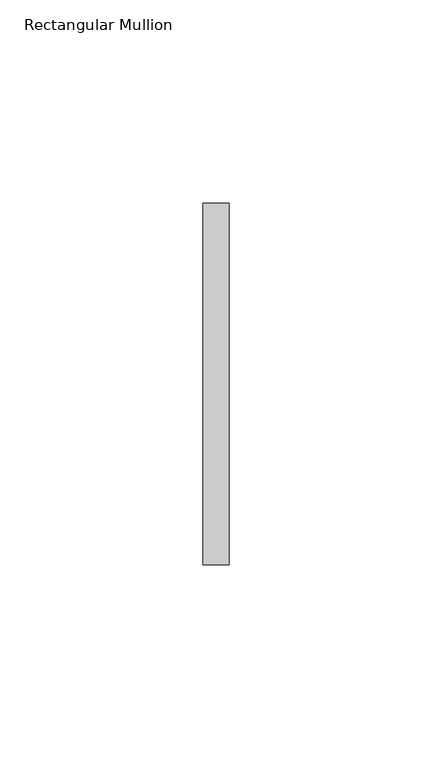
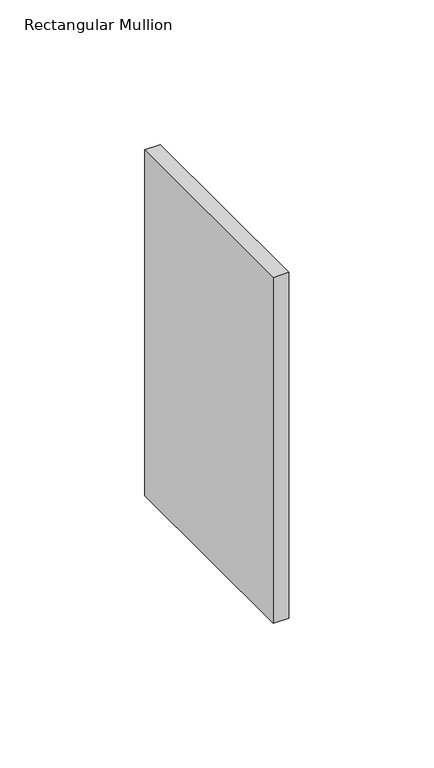
"""IFC4 building model written with IfcOpenShell, lengths in millimetres: member geometry, Rectangular Mullion."""

import ifcopenshell
import ifcopenshell.guid

model = None  # the IFC model being written
_history = None  # IfcOwnerHistory: only IFC2X3 demands one
_inside = {}  # id of a spatial element -> (the spatial element, [elements in it])
_under = {}  # id of a project, library or spatial element -> (it, [spatial elements below it])
_declared = {}  # id of a project -> (the project, [libraries it declares])
_typed = {}  # id of a type object -> (the type object, [elements of that type])
_made_of = {}  # id of a material, layer set ... -> (it, [elements and type objects made of it])


def new_model(schema):
    """Start an empty IFC model of exactly this schema.

    Asked for "IFC4X3", IfcOpenShell would pick the latest addendum, in which some entities
    have other attributes; the version numbers below select the first issue.
    IFC2X3 requires an IfcOwnerHistory on every rooted entity: one is made here for all.
    """
    global model, _history
    if schema == "IFC4X3":
        model = ifcopenshell.file(schema_version=(4, 3, 0, 0))
    else:
        model = ifcopenshell.file(schema=schema)
    _inside.clear()
    _under.clear()
    _declared.clear()
    _typed.clear()
    _made_of.clear()
    _history = None
    if model.schema == "IFC2X3":
        org = make("IfcOrganization", Name="unknown")
        user = make(
            "IfcPersonAndOrganization",
            ThePerson=make("IfcPerson", FamilyName="unknown"),
            TheOrganization=org,
        )
        app = make(
            "IfcApplication",
            ApplicationDeveloper=org,
            Version="unknown",
            ApplicationFullName="unknown",
            ApplicationIdentifier="unknown",
        )
        _history = make(
            "IfcOwnerHistory",
            OwningUser=user,
            OwningApplication=app,
            ChangeAction="ADDED",
            CreationDate=0,
        )
    return model


def make(cls, **values):
    """One entity of the class cls with the attributes given. An attribute that is None is left unset."""
    return model.create_entity(
        cls, **{name: value for name, value in values.items() if value is not None}
    )


def rooted(cls, **values):
    """An entity with a GlobalId (a new one), such as an element, a storey or a relation."""
    return make(cls, GlobalId=ifcopenshell.guid.new(), OwnerHistory=_history, **values)


def si_unit(unit_type, name, prefix=None):
    """IfcSIUnit, for example si_unit("LENGTHUNIT", "METRE", prefix="MILLI")."""
    return make("IfcSIUnit", UnitType=unit_type, Prefix=prefix, Name=name)


def assignment(units):
    """IfcUnitAssignment: the units of a project."""
    return None if units is None else make("IfcUnitAssignment", Units=units)


def point(xyz):
    """IfcCartesianPoint."""
    return None if xyz is None else make("IfcCartesianPoint", Coordinates=xyz)


def direction(xyz):
    """IfcDirection."""
    return None if xyz is None else make("IfcDirection", DirectionRatios=xyz)


def frame(location, z_axis=None, x_axis=None):
    """IfcAxis2Placement3D, a coordinate frame: its origin and axes. An axis left out is left unset."""
    return make(
        "IfcAxis2Placement3D",
        Location=point(location),
        Axis=direction(z_axis),
        RefDirection=direction(x_axis),
    )


def origin():
    """The frame at (0, 0, 0) with its axes left unset."""
    return frame((0.0, 0.0, 0.0))


def place(relative_to, where):
    """IfcLocalPlacement: puts the frame where relative to a parent placement (None: the world)."""
    return make(
        "IfcLocalPlacement", PlacementRelTo=relative_to, RelativePlacement=where
    )


def context(
    kind, dimensions, precision=None, world=None, true_north=None, identifier=None
):
    """IfcGeometricRepresentationContext, for example the 3D "Model" context."""
    return make(
        "IfcGeometricRepresentationContext",
        ContextIdentifier=identifier,
        ContextType=kind,
        CoordinateSpaceDimension=dimensions,
        Precision=precision,
        WorldCoordinateSystem=world,
        TrueNorth=true_north,
    )


def project(units=None, contexts=None):
    """IfcProject with its units and contexts."""
    return rooted(
        "IfcProject",
        Name="project",
        RepresentationContexts=contexts,
        UnitsInContext=assignment(units),
    )


def spatial(cls, under=None, at=None, **own):
    """A site, building, storey or space (cls), placed at a placement, below another one or the project."""
    s = rooted(cls, ObjectPlacement=at, **own)
    if under is not None:
        _under.setdefault(under.id(), (under, []))[1].append(s)
    return s


def polyline(points):
    """IfcPolyline through the points."""
    return make("IfcPolyline", Points=[point(p) for p in points])


def outline(outer, holes=None, kind="AREA"):
    """IfcArbitraryClosedProfileDef: a profile drawn as a closed curve; with holes, ...WithVoids."""
    if holes is None:
        return make("IfcArbitraryClosedProfileDef", ProfileType=kind, OuterCurve=outer)
    return make(
        "IfcArbitraryProfileDefWithVoids",
        ProfileType=kind,
        OuterCurve=outer,
        InnerCurves=holes,
    )


def extrude(swept, where, along, depth):
    """IfcExtrudedAreaSolid: the profile swept, set in the frame where, extruded along a direction by depth."""
    return make(
        "IfcExtrudedAreaSolid",
        SweptArea=swept,
        Position=where,
        ExtrudedDirection=direction(along),
        Depth=depth,
    )


def shape(context_of_items, identifier, shape_type, items):
    """IfcShapeRepresentation: the items that make up one representation, for example the "Body"."""
    return make(
        "IfcShapeRepresentation",
        ContextOfItems=context_of_items,
        RepresentationIdentifier=identifier,
        RepresentationType=shape_type,
        Items=items,
    )


def source(mapping_origin, context_of_items, identifier, shape_type, items):
    """IfcRepresentationMap: a shape defined once, which mapped items show again and again."""
    return make(
        "IfcRepresentationMap",
        MappingOrigin=mapping_origin,
        MappedRepresentation=shape(context_of_items, identifier, shape_type, items),
    )


def transform(
    local_origin,
    x_axis=None,
    y_axis=None,
    z_axis=None,
    scale=None,
    scale2=None,
    scale3=None,
    uniform=True,
):
    """IfcCartesianTransformationOperator3D, or its non-uniform kind. x_axis, y_axis, z_axis: its Axis1, 2, 3."""
    if uniform:
        return make(
            "IfcCartesianTransformationOperator3D",
            Axis1=direction(x_axis),
            Axis2=direction(y_axis),
            LocalOrigin=point(local_origin),
            Scale=scale,
            Axis3=direction(z_axis),
        )
    return make(
        "IfcCartesianTransformationOperator3DnonUniform",
        Axis1=direction(x_axis),
        Axis2=direction(y_axis),
        LocalOrigin=point(local_origin),
        Scale=scale,
        Axis3=direction(z_axis),
        Scale2=scale2,
        Scale3=scale3,
    )


def mapped(mapping_source, mapping_target):
    """IfcMappedItem: shows the shape of a source again, moved by a transform."""
    return make(
        "IfcMappedItem", MappingSource=mapping_source, MappingTarget=mapping_target
    )


def made_of(thing, what):
    """Note that an element or type object is made of a material, layer set ...; save() writes the relation."""
    if what is not None:
        _made_of.setdefault(what.id(), (what, []))[1].append(thing)
    return thing


def element(
    cls,
    number,
    at=None,
    inside=None,
    cuts=None,
    type_object=None,
    material=None,
    context=None,
    identifier="Body",
    shape_type=None,
    held_by="IfcProductDefinitionShape",
    body=None,
    shapes=None,
    **own,
):
    """One element of the class cls, such as IfcWall. Its Tag is "e" and its number.

    at: its placement. inside: the storey or other place that contains it. cuts: it is an
    opening in that element (IfcRelVoidsElement). A single representation is given by context,
    identifier, shape_type and body (its items); several are given by shapes. held_by: the class
    of the entity that holds the representations. save() writes the other relations.
    """
    e = rooted(cls, Tag="e%d" % number, ObjectPlacement=at, **own)
    if body is not None:
        shapes = [shape(context, identifier, shape_type, body)]
    if shapes is not None:
        e.Representation = make(held_by, Representations=shapes)
    if inside is not None:
        _inside.setdefault(inside.id(), (inside, []))[1].append(e)
    if cuts is not None:
        rooted(
            "IfcRelVoidsElement", RelatingBuildingElement=cuts, RelatedOpeningElement=e
        )
    if type_object is not None:
        _typed.setdefault(type_object.id(), (type_object, []))[1].append(e)
    return made_of(e, material)


def aggregate(whole, parts):
    """IfcRelAggregates: a whole, such as a stair, and the parts it consists of."""
    return rooted("IfcRelAggregates", RelatingObject=whole, RelatedObjects=parts)


def save(model, path):
    """Write the relations noted so far, then the file.

    IfcRelAggregates (storeys below a building ...), IfcRelContainedInSpatialStructure (elements
    in a storey), IfcRelDefinesByType, IfcRelAssociatesMaterial and IfcRelDeclares: one each for
    every whole, place, type object, material and project.
    """
    for whole, parts in _under.values():
        aggregate(whole, parts)
    for where, things in _inside.values():
        rooted(
            "IfcRelContainedInSpatialStructure",
            RelatedElements=things,
            RelatingStructure=where,
        )
    for kind, things in _typed.values():
        rooted("IfcRelDefinesByType", RelatedObjects=things, RelatingType=kind)
    for what, things in _made_of.values():
        rooted("IfcRelAssociatesMaterial", RelatedObjects=things, RelatingMaterial=what)
    for by, libraries in _declared.values():
        rooted("IfcRelDeclares", RelatingContext=by, RelatedDefinitions=libraries)
    model.write(path)


def rectangular_mullion_da5dfee7(model_context):
    return source(origin(), model_context, "Body", "SweptSolid", [
        extrude(outline(polyline([(0.0, 44.45), (0.0, -44.45), (-6.35, -44.45), (-6.35, 44.45), (0.0, 44.45)])), frame((0.0, 0.0, -146.05), z_axis=(0.0, 0.0, 1.0), x_axis=(1.0, 0.0, 0.0)), (0.0, 0.0, 1.0), 146.05),
    ])


if __name__ == "__main__":
    model = new_model("IFC4")
    model_context = context("Model", 3, world=origin())
    ifc_project = project(units=[si_unit("LENGTHUNIT", "METRE", prefix="MILLI")], contexts=[model_context])
    site = spatial("IfcSite", under=ifc_project)
    building = spatial("IfcBuilding", under=site)
    placement = place(None, origin())
    rectangular_mullion_shape = rectangular_mullion_da5dfee7(model_context)
    element("IfcMember", 1, ObjectType="Rectangular Mullion", at=placement, inside=building, context=model_context, shape_type="MappedRepresentation", body=[
        mapped(rectangular_mullion_shape, transform((0.0, 0.0, 0.0), x_axis=(1.0, 0.0, 0.0), y_axis=(0.0, 1.0, 0.0), z_axis=(0.0, 0.0, 1.0))),
    ])
    save(model, "model.ifc")
